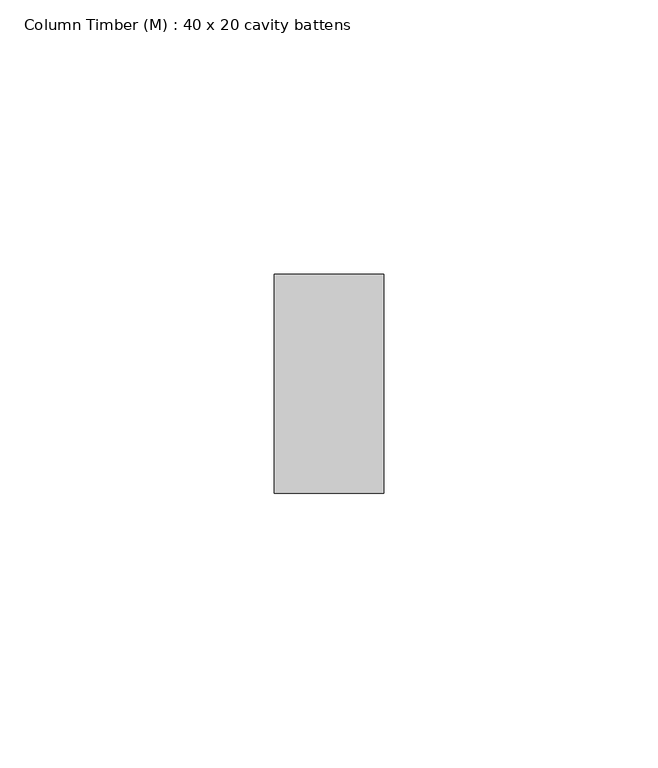
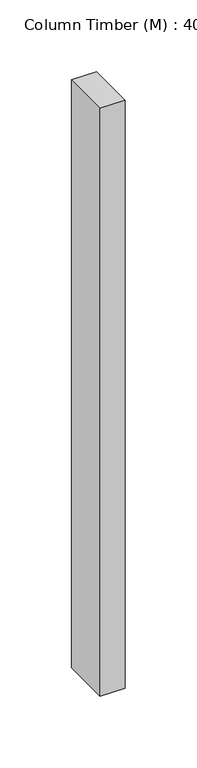
"""IFC4 building model written with IfcOpenShell, lengths in millimetres: column geometry, Column Timber (M) : 40 x 20 cavity battens."""

from ifc_helpers import new_model, si_unit, frame, origin, place, context, project, spatial, polyline, outline, extrude, source, transform, mapped, element, save


def column_timber_m_40_x_20_cavity_battens_33fb88be(model_context):
    return source(origin(), model_context, "Body", "SweptSolid", [
        extrude(outline(polyline([(10.0, 20.0), (10.0, -20.0), (-10.0, -20.0), (-10.0, 20.0), (10.0, 20.0)])), frame((0.0, 0.0, -500.0), z_axis=(0.0, 0.0, 1.0), x_axis=(1.0, 0.0, 0.0)), (0.0, 0.0, 1.0), 500.0),
    ])


if __name__ == "__main__":
    model = new_model("IFC4")
    model_context = context("Model", 3, world=origin())
    ifc_project = project(units=[si_unit("LENGTHUNIT", "METRE", prefix="MILLI")], contexts=[model_context])
    site = spatial("IfcSite", under=ifc_project)
    building = spatial("IfcBuilding", under=site)
    placement = place(None, origin())
    column_timber_m_40_x_20_cavity_battens_shape = column_timber_m_40_x_20_cavity_battens_33fb88be(model_context)
    element("IfcColumn", 1, ObjectType="Column Timber (M) : 40 x 20 cavity battens", at=placement, inside=building, context=model_context, shape_type="MappedRepresentation", body=[
        mapped(column_timber_m_40_x_20_cavity_battens_shape, transform((0.0, 0.0, 0.0), x_axis=(1.0, 0.0, 0.0), y_axis=(0.0, 1.0, 0.0), z_axis=(0.0, 0.0, 1.0))),
    ])
    save(model, "model.ifc")
